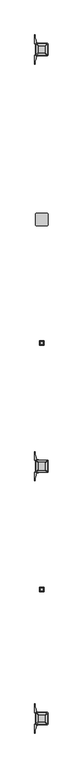
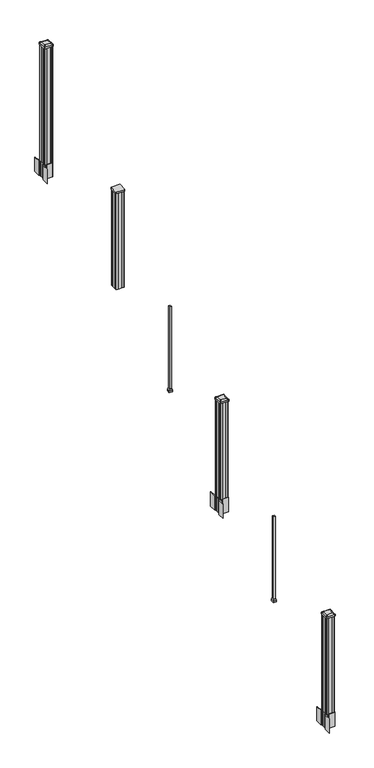
"""IFC4 building model written with IfcOpenShell, lengths in millimetres: railing geometry."""

from ifc_helpers import new_model, si_unit, point, frame, frame_2d, origin, place, context, project, spatial, polyline, circle_curve, trimmed, segment, composite_curve, outline, extrude, faceted_brep, source, transform, mapped, element, save
from ifc_brep_helpers import plane_surface, extruded_surface, advanced_brep


def railing_3ed826f8(model_context):
    return source(origin(), model_context, "Body", "SolidModel", [
        extrude(outline(composite_curve([segment(trimmed(circle_curve(frame_2d((6917.9688978, -99540.1315953)), 3.175), [point((6917.9688978, -99543.3065953))], [point((6914.7938978, -99540.1315953))], False, "CARTESIAN"), True, "CONTINUOUS"), segment(polyline([(6914.7938978, -99540.1315953), (6914.7938978, -99455.9940953)]), True, "CONTINUOUS"), segment(trimmed(circle_curve(frame_2d((6917.9688978, -99455.9940953)), 3.175), [point((6914.7938978, -99455.9940953))], [point((6917.9688978, -99452.8190953))], False, "CARTESIAN"), True, "CONTINUOUS"), segment(polyline([(6917.9688978, -99452.8190953), (7002.1063978, -99452.8190953)]), True, "CONTINUOUS"), segment(trimmed(circle_curve(frame_2d((7002.1063978, -99455.9940953)), 3.175), [point((7002.1063978, -99452.8190953))], [point((7005.2813978, -99455.9940953))], False, "CARTESIAN"), True, "CONTINUOUS"), segment(polyline([(7005.2813978, -99455.9940953), (7005.2813978, -99540.1315953)]), True, "CONTINUOUS"), segment(trimmed(circle_curve(frame_2d((7002.1063978, -99540.1315953)), 3.175), [point((7005.2813978, -99540.1315953))], [point((7002.1063978, -99543.3065953))], False, "CARTESIAN"), True, "CONTINUOUS"), segment(polyline([(7002.1063978, -99543.3065953), (6917.9688978, -99543.3065953)]), True, "CONTINUOUS")], self_intersect=False)), frame((0.0, 0.0, 3507.864263), z_axis=(0.0, 0.0, 1.0), x_axis=(1.0, 0.0, 0.0)), (0.0, 0.0, 1.0), 17.272),
        extrude(outline(polyline([(6920.3501478, -99539.3378453), (6918.7626478, -99537.7503453), (6918.7626478, -99518.1288453), (6920.3501478, -99517.3668453), (6920.3501478, -99478.7588453), (6918.7626478, -99477.9968453), (6918.7626478, -99458.3753453), (6920.3501478, -99456.7878453), (6939.9716478, -99456.7878453), (6940.7336478, -99458.3753453), (6979.3416478, -99458.3753453), (6980.1036478, -99456.7878453), (6999.7251478, -99456.7878453), (7001.3126478, -99458.3753453), (7001.3126478, -99477.9968453), (6999.7251478, -99478.7588453), (6999.7251478, -99517.3668453), (7001.3126478, -99518.1288453), (7001.3126478, -99537.7503453), (6999.7251478, -99539.3378453), (6980.1036478, -99539.3378453), (6979.3416478, -99537.7503453), (6940.7336478, -99537.7503453), (6939.9716478, -99539.3378453), (6920.3501478, -99539.3378453)])), frame((0.0, 0.0, 2476.5), z_axis=(0.0, 0.0, 1.0), x_axis=(1.0, 0.0, 0.0)), (0.0, 0.0, 1.0), 1031.364263),
        faceted_brep([(6972.7376478, -100425.1628453, 1937.1497081), (6972.7376478, -100399.7628453, 1937.1497081), (6947.3376478, -100399.7628453, 1937.1497081), (6947.3376478, -100425.1628453, 1937.1497081), (6975.9126478, -100428.3378453, 1921.2747081), (6944.1626478, -100428.3378453, 1921.2747081), (6944.1626478, -100396.5878453, 1921.2747081), (6975.9126478, -100396.5878453, 1921.2747081)], [[[0, 1, 2, 3]], [[4, 5, 6, 7]], [[4, 0, 3, 5]], [[5, 3, 2, 6]], [[6, 2, 1, 7]], [[7, 1, 0, 4]]]),
        extrude(outline(polyline([(6975.9126478, -100428.3378453), (6944.1626478, -100428.3378453), (6944.1626478, -100396.5878453), (6975.9126478, -100396.5878453), (6975.9126478, -100428.3378453)])), frame((0.0, 0.0, 1905.0), z_axis=(0.0, 0.0, 1.0), x_axis=(1.0, 0.0, 0.0)), (0.0, 0.0, 1.0), 16.2747081),
        extrude(outline(polyline([(6969.5626478, -100421.9878453), (6950.5126478, -100421.9878453), (6950.5126478, -100402.9378453), (6969.5626478, -100402.9378453), (6969.5626478, -100421.9878453)])), frame((0.0, 0.0, 1905.0), z_axis=(0.0, 0.0, 1.0), x_axis=(1.0, 0.0, 0.0)), (0.0, 0.0, 1.0), 914.4),
        extrude(outline(composite_curve([segment(polyline([(7002.7731478, -101344.2489401), (7004.3606478, -101345.0109401), (7004.3606478, -101367.8128682), (7000.9876707, -101371.1858453), (6939.5279999, -101371.1858453), (6939.5279999, -101372.1065953), (6934.2104561, -101372.1065953), (6934.2104561, -101373.56085), (6929.1259264, -101373.56085), (6929.1259264, -101374.8448738), (6927.4586541, -101374.8448738)]), True, "CONTINUOUS"), segment(trimmed(circle_curve(frame_2d((6927.4586541, -101381.9043337)), 7.0594599), [point((6927.4586541, -101374.8448738))], [point((6920.6913912, -101379.894327))], True, "CARTESIAN"), True, "CONTINUOUS"), segment(polyline([(6920.6913912, -101379.894327), (6912.8171969, -101406.4050561)]), True, "CONTINUOUS"), segment(trimmed(circle_curve(frame_2d((6967.6017103, -101422.6771057)), 57.15), [point((6912.8171969, -101406.4050561))], [point((6910.4517103, -101422.6771057))], True, "CARTESIAN"), True, "CONTINUOUS"), segment(polyline([(6910.4517103, -101422.6771057), (6910.4517103, -101434.6858453), (6907.4517103, -101434.6858453), (6907.4517103, -101369.5983453), (6915.7146478, -101358.260054), (6915.7146478, -101345.0109401), (6917.3021478, -101344.2489401), (6917.3021478, -101309.4767504), (6915.7146478, -101308.7147504), (6915.7146478, -101295.4656366), (6907.4517103, -101284.1273453), (6907.4517103, -101219.0398453), (6910.4517103, -101219.0398453), (6910.4517103, -101231.0485848)]), True, "CONTINUOUS"), segment(trimmed(circle_curve(frame_2d((6967.6017103, -101231.0485848)), 57.15), [point((6910.4517103, -101231.0485848))], [point((6912.8171969, -101247.3206345))], True, "CARTESIAN"), True, "CONTINUOUS"), segment(polyline([(6912.8171969, -101247.3206345), (6920.6913912, -101273.8313636)]), True, "CONTINUOUS"), segment(trimmed(circle_curve(frame_2d((6927.4586541, -101271.8213569)), 7.0594599), [point((6920.6913912, -101273.8313636))], [point((6927.4586541, -101278.8808168))], True, "CARTESIAN"), True, "CONTINUOUS"), segment(polyline([(6927.4586541, -101278.8808168), (6929.1259264, -101278.8808168), (6929.1259264, -101280.1648406), (6934.2104561, -101280.1648406), (6934.2104561, -101281.6190953), (6939.5279999, -101281.6190953), (6939.5279999, -101282.5398453), (7000.9876707, -101282.5398453), (7004.3606478, -101285.9128224), (7004.3606478, -101308.7147504), (7002.7731478, -101309.4767504), (7002.7731478, -101344.2489401)]), True, "CONTINUOUS")], self_intersect=False), holes=[polyline([(6918.7626478, -101287.1753453), (6918.7626478, -101366.5503453), (6920.3501478, -101368.1378453), (6957.2744304, -101368.1378453), (6999.7251478, -101368.1378453), (7001.3126478, -101366.5503453), (7001.3126478, -101287.1753453), (6999.7251478, -101285.5878453), (6957.2744304, -101285.5878453), (6920.3501478, -101285.5878453), (6918.7626478, -101287.1753453)])]), frame((0.0, 0.0, 1181.1), z_axis=(0.0, 0.0, 1.0), x_axis=(1.0, 0.0, 0.0)), (0.0, 0.0, 1.0), 152.4),
        advanced_brep(
        [(6934.2407728, -101355.8347203, 2393.439263), (6985.8345228, -101355.8347203, 2393.439263), (6989.0095228, -101352.6597203, 2393.439263), (6989.0095228, -101301.0659703, 2393.439263), (6985.8345228, -101297.8909703, 2393.439263), (6934.2407728, -101297.8909703, 2393.439263), (6931.0657728, -101301.0659703, 2393.439263), (6931.0657728, -101352.6597203, 2393.439263), (6917.9688978, -101372.1065953, 2382.136263), (6914.7938978, -101368.9315953, 2382.136263), (6914.7938978, -101284.7940953, 2382.136263), (6917.9688978, -101281.6190953, 2382.136263), (7002.1063978, -101281.6190953, 2382.136263), (7005.2813978, -101284.7940953, 2382.136263), (7005.2813978, -101368.9315953, 2382.136263), (7002.1063978, -101372.1065953, 2382.136263)],
        [
            (0, 1),
            (1, 2, circle_curve(frame((6985.8345228, -101352.6597203, 2393.439263), z_axis=(0.0, 0.0, 1.0), x_axis=(0.0, 1.0, 0.0)), 3.175)),
            (2, 3),
            (3, 4, circle_curve(frame((6985.8345228, -101301.0659703, 2393.439263), z_axis=(0.0, 0.0, 1.0), x_axis=(0.0, 1.0, 0.0)), 3.175)),
            (4, 5),
            (5, 6, circle_curve(frame((6934.2407728, -101301.0659703, 2393.439263), z_axis=(0.0, 0.0, 1.0), x_axis=(0.0, 1.0, 0.0)), 3.175)),
            (6, 7),
            (7, 0, circle_curve(frame((6934.2407728, -101352.6597203, 2393.439263), z_axis=(0.0, 0.0, 1.0), x_axis=(0.0, 1.0, 0.0)), 3.175)),
            (8, 9, circle_curve(frame((6917.9688978, -101368.9315953, 2382.136263), z_axis=(0.0, 0.0, -1.0), x_axis=(0.0, 1.0, 0.0)), 3.175)),
            (9, 10),
            (10, 11, circle_curve(frame((6917.9688978, -101284.7940953, 2382.136263), z_axis=(0.0, 0.0, -1.0), x_axis=(0.0, 1.0, 0.0)), 3.175)),
            (11, 12),
            (12, 13, circle_curve(frame((7002.1063978, -101284.7940953, 2382.136263), z_axis=(0.0, 0.0, -1.0), x_axis=(0.0, 1.0, 0.0)), 3.175)),
            (13, 14),
            (14, 15, circle_curve(frame((7002.1063978, -101368.9315953, 2382.136263), z_axis=(0.0, 0.0, -1.0), x_axis=(0.0, 1.0, 0.0)), 3.175)),
            (15, 8),
            (8, 0),
            (7, 9),
            (6, 10),
            (5, 11),
            (4, 12),
            (3, 13),
            (2, 14),
            (1, 15),
        ],
        [
            plane_surface(frame((6960.0376478, -101326.8628453, 2393.439263), z_axis=(0.0, 0.0, 1.0), x_axis=(-1.0, 0.0, 0.0))),
            plane_surface(frame((6960.0376478, -101326.8628453, 2382.136263), z_axis=(0.0, 0.0, -1.0), x_axis=(-1.0, 0.0, 0.0))),
            extruded_surface(trimmed(circle_curve(frame((6934.2407728, -101352.6597203, 2393.439263), z_axis=(0.0, 0.0, -1.0), x_axis=(0.0, 1.0, 0.0)), 3.175), [point((6934.2407728, -101355.8347203, 2393.439263))], [point((6931.0657728, -101352.6597203, 2393.439263))], True, "CARTESIAN"), (-16.271874999999454, -16.27187500000582, -11.303000000000338), 25.63797263886966),
            plane_surface(frame((6914.7938978, -101326.8628453, 2382.136263), z_axis=(-0.5705009161540778, 0.0, 0.8212969649690408), x_axis=(0.0, 1.0, 0.0))),
            extruded_surface(trimmed(circle_curve(frame((6934.2407728, -101301.0659703, 2393.439263), z_axis=(0.0, 0.0, -1.0), x_axis=(0.0, 1.0, 0.0)), 3.175), [point((6931.0657728, -101301.0659703, 2393.439263))], [point((6934.2407728, -101297.8909703, 2393.439263))], True, "CARTESIAN"), (-16.271874999999454, 16.27187499999127, -11.303000000000338), 25.637972638860422),
            plane_surface(frame((6960.0376478, -101281.6190953, 2382.136263), z_axis=(0.0, 0.5705009161540291, 0.8212969649690747), x_axis=(1.0, 0.0, 0.0))),
            extruded_surface(trimmed(circle_curve(frame((6985.8345228, -101301.0659703, 2393.439263), z_axis=(0.0, 0.0, -1.0), x_axis=(0.0, 1.0, 0.0)), 3.175), [point((6985.8345228, -101297.8909703, 2393.439263))], [point((6989.0095228, -101301.0659703, 2393.439263))], True, "CARTESIAN"), (16.271875000000364, 16.27187499999127, -11.303000000000338), 25.637972638861),
            plane_surface(frame((7005.2813978, -101326.8628453, 2382.136263), z_axis=(0.5705009161540142, 0.0, 0.8212969649690851), x_axis=(0.0, -1.0, 0.0))),
            extruded_surface(trimmed(circle_curve(frame((6985.8345228, -101352.6597203, 2393.439263), z_axis=(0.0, 0.0, -1.0), x_axis=(0.0, 1.0, 0.0)), 3.175), [point((6989.0095228, -101352.6597203, 2393.439263))], [point((6985.8345228, -101355.8347203, 2393.439263))], True, "CARTESIAN"), (16.271875000000364, -16.27187500000582, -11.303000000000338), 25.637972638870238),
            plane_surface(frame((6960.0376478, -101372.1065953, 2382.136263), z_axis=(0.0, -0.570500916154034, 0.8212969649690713), x_axis=(-1.0, 0.0, 0.0))),
        ],
        [
            (0, [[1, 2, 3, 4, 5, 6, 7, 8]]),
            (1, [[9, 10, 11, 12, 13, 14, 15, 16]]),
            (2, [[17, -8, 18, -9]]),
            (3, [[-18, -7, 19, -10]]),
            (4, [[-19, -6, 20, -11]]),
            (5, [[-20, -5, 21, -12]]),
            (6, [[-21, -4, 22, -13]]),
            (7, [[-22, -3, 23, -14]]),
            (8, [[-23, -2, 24, -15]]),
            (9, [[-24, -1, -17, -16]]),
        ],
    ),
        extrude(outline(composite_curve([segment(trimmed(circle_curve(frame_2d((6917.9688978, -101368.9315953)), 3.175), [point((6917.9688978, -101372.1065953))], [point((6914.7938978, -101368.9315953))], False, "CARTESIAN"), True, "CONTINUOUS"), segment(polyline([(6914.7938978, -101368.9315953), (6914.7938978, -101284.7940953)]), True, "CONTINUOUS"), segment(trimmed(circle_curve(frame_2d((6917.9688978, -101284.7940953)), 3.175), [point((6914.7938978, -101284.7940953))], [point((6917.9688978, -101281.6190953))], False, "CARTESIAN"), True, "CONTINUOUS"), segment(polyline([(6917.9688978, -101281.6190953), (7002.1063978, -101281.6190953)]), True, "CONTINUOUS"), segment(trimmed(circle_curve(frame_2d((7002.1063978, -101284.7940953)), 3.175), [point((7002.1063978, -101281.6190953))], [point((7005.2813978, -101284.7940953))], False, "CARTESIAN"), True, "CONTINUOUS"), segment(polyline([(7005.2813978, -101284.7940953), (7005.2813978, -101368.9315953)]), True, "CONTINUOUS"), segment(trimmed(circle_curve(frame_2d((7002.1063978, -101368.9315953)), 3.175), [point((7005.2813978, -101368.9315953))], [point((7002.1063978, -101372.1065953))], False, "CARTESIAN"), True, "CONTINUOUS"), segment(polyline([(7002.1063978, -101372.1065953), (6917.9688978, -101372.1065953)]), True, "CONTINUOUS")], self_intersect=False)), frame((0.0, 0.0, 2364.864263), z_axis=(0.0, 0.0, 1.0), x_axis=(1.0, 0.0, 0.0)), (0.0, 0.0, 1.0), 17.272),
        extrude(outline(polyline([(6920.3501478, -101368.1378453), (6918.7626478, -101366.5503453), (6918.7626478, -101346.9288453), (6920.3501478, -101346.1668453), (6920.3501478, -101307.5588453), (6918.7626478, -101306.7968453), (6918.7626478, -101287.1753453), (6920.3501478, -101285.5878453), (6939.9716478, -101285.5878453), (6940.7336478, -101287.1753453), (6979.3416478, -101287.1753453), (6980.1036478, -101285.5878453), (6999.7251478, -101285.5878453), (7001.3126478, -101287.1753453), (7001.3126478, -101306.7968453), (6999.7251478, -101307.5588453), (6999.7251478, -101346.1668453), (7001.3126478, -101346.9288453), (7001.3126478, -101366.5503453), (6999.7251478, -101368.1378453), (6980.1036478, -101368.1378453), (6979.3416478, -101366.5503453), (6940.7336478, -101366.5503453), (6939.9716478, -101368.1378453), (6920.3501478, -101368.1378453)])), frame((0.0, 0.0, 1333.5), z_axis=(0.0, 0.0, 1.0), x_axis=(1.0, 0.0, 0.0)), (0.0, 0.0, 1.0), 1031.364263),
        faceted_brep([(6972.7376478, -102253.9628453, 794.1497081), (6972.7376478, -102228.5628453, 794.1497081), (6947.3376478, -102228.5628453, 794.1497081), (6947.3376478, -102253.9628453, 794.1497081), (6975.9126478, -102257.1378453, 778.2747081), (6944.1626478, -102257.1378453, 778.2747081), (6944.1626478, -102225.3878453, 778.2747081), (6975.9126478, -102225.3878453, 778.2747081)], [[[0, 1, 2, 3]], [[4, 5, 6, 7]], [[4, 0, 3, 5]], [[5, 3, 2, 6]], [[6, 2, 1, 7]], [[7, 1, 0, 4]]]),
        extrude(outline(polyline([(6975.9126478, -102257.1378453), (6944.1626478, -102257.1378453), (6944.1626478, -102225.3878453), (6975.9126478, -102225.3878453), (6975.9126478, -102257.1378453)])), frame((0.0, 0.0, 762.0), z_axis=(0.0, 0.0, 1.0), x_axis=(1.0, 0.0, 0.0)), (0.0, 0.0, 1.0), 16.2747081),
        extrude(outline(polyline([(6969.5626478, -102250.7878453), (6950.5126478, -102250.7878453), (6950.5126478, -102231.7378453), (6969.5626478, -102231.7378453), (6969.5626478, -102250.7878453)])), frame((0.0, 0.0, 762.0), z_axis=(0.0, 0.0, 1.0), x_axis=(1.0, 0.0, 0.0)), (0.0, 0.0, 1.0), 914.4),
        extrude(outline(polyline([(6920.3501478, -98278.7358453), (6918.7626478, -98277.1483453), (6918.7626478, -98257.5268453), (6920.3501478, -98256.7648453), (6920.3501478, -98218.1568453), (6918.7626478, -98217.3948453), (6918.7626478, -98197.7733453), (6920.3501478, -98196.1858453), (6939.9716478, -98196.1858453), (6940.7336478, -98197.7733453), (6979.3416478, -98197.7733453), (6980.1036478, -98196.1858453), (6999.7251478, -98196.1858453), (7001.3126478, -98197.7733453), (7001.3126478, -98217.3948453), (6999.7251478, -98218.1568453), (6999.7251478, -98256.7648453), (7001.3126478, -98257.5268453), (7001.3126478, -98277.1483453), (6999.7251478, -98278.7358453), (6980.1036478, -98278.7358453), (6979.3416478, -98277.1483453), (6940.7336478, -98277.1483453), (6939.9716478, -98278.7358453), (6920.3501478, -98278.7358453)])), frame((0.0, 0.0, 3048.0), z_axis=(0.0, 0.0, 1.0), x_axis=(1.0, 0.0, 0.0)), (0.0, 0.0, 1.0), 1247.740513),
        extrude(outline(composite_curve([segment(polyline([(7002.7731478, -98254.8469401), (7004.3606478, -98255.6089401), (7004.3606478, -98278.4108682), (7000.9876707, -98281.7838453), (6939.5279999, -98281.7838453), (6939.5279999, -98282.7045953), (6934.2104561, -98282.7045953), (6934.2104561, -98284.15885), (6929.1259264, -98284.15885), (6929.1259264, -98285.4428738), (6927.4586541, -98285.4428738)]), True, "CONTINUOUS"), segment(trimmed(circle_curve(frame_2d((6927.4586541, -98292.5023337)), 7.0594599), [point((6927.4586541, -98285.4428738))], [point((6920.6913912, -98290.492327))], True, "CARTESIAN"), True, "CONTINUOUS"), segment(polyline([(6920.6913912, -98290.492327), (6912.8171969, -98317.0030561)]), True, "CONTINUOUS"), segment(trimmed(circle_curve(frame_2d((6967.6017103, -98333.2751057)), 57.15), [point((6912.8171969, -98317.0030561))], [point((6910.4517103, -98333.2751057))], True, "CARTESIAN"), True, "CONTINUOUS"), segment(polyline([(6910.4517103, -98333.2751057), (6910.4517103, -98345.2838453), (6907.4517103, -98345.2838453), (6907.4517103, -98280.1963453), (6915.7146478, -98268.858054), (6915.7146478, -98255.6089401), (6917.3021478, -98254.8469401), (6917.3021478, -98220.0747504), (6915.7146478, -98219.3127504), (6915.7146478, -98206.0636366), (6907.4517103, -98194.7253453), (6907.4517103, -98129.6378453), (6910.4517103, -98129.6378453), (6910.4517103, -98141.6465848)]), True, "CONTINUOUS"), segment(trimmed(circle_curve(frame_2d((6967.6017103, -98141.6465848)), 57.15), [point((6910.4517103, -98141.6465848))], [point((6912.8171969, -98157.9186345))], True, "CARTESIAN"), True, "CONTINUOUS"), segment(polyline([(6912.8171969, -98157.9186345), (6920.6913912, -98184.4293636)]), True, "CONTINUOUS"), segment(trimmed(circle_curve(frame_2d((6927.4586541, -98182.4193569)), 7.0594599), [point((6920.6913912, -98184.4293636))], [point((6927.4586541, -98189.4788168))], True, "CARTESIAN"), True, "CONTINUOUS"), segment(polyline([(6927.4586541, -98189.4788168), (6929.1259264, -98189.4788168), (6929.1259264, -98190.7628406), (6934.2104561, -98190.7628406), (6934.2104561, -98192.2170953), (6939.5279999, -98192.2170953), (6939.5279999, -98193.1378453), (7000.9876707, -98193.1378453), (7004.3606478, -98196.5108224), (7004.3606478, -98219.3127504), (7002.7731478, -98220.0747504), (7002.7731478, -98254.8469401)]), True, "CONTINUOUS")], self_intersect=False), holes=[polyline([(6918.7626478, -98197.7733453), (6918.7626478, -98277.1483453), (6920.3501478, -98278.7358453), (6957.2744304, -98278.7358453), (6999.7251478, -98278.7358453), (7001.3126478, -98277.1483453), (7001.3126478, -98197.7733453), (6999.7251478, -98196.1858453), (6957.2744304, -98196.1858453), (6920.3501478, -98196.1858453), (6918.7626478, -98197.7733453)])]), frame((0.0, 0.0, 2895.6), z_axis=(0.0, 0.0, 1.0), x_axis=(1.0, 0.0, 0.0)), (0.0, 0.0, 1.0), 152.4),
        advanced_brep(
        [(6934.2407728, -98266.4327203, 4324.315513), (6985.8345228, -98266.4327203, 4324.315513), (6989.0095228, -98263.2577203, 4324.315513), (6989.0095228, -98211.6639703, 4324.315513), (6985.8345228, -98208.4889703, 4324.315513), (6934.2407728, -98208.4889703, 4324.315513), (6931.0657728, -98211.6639703, 4324.315513), (6931.0657728, -98263.2577203, 4324.315513), (6917.9688978, -98282.7045953, 4313.012513), (6914.7938978, -98279.5295953, 4313.012513), (6914.7938978, -98195.3920953, 4313.012513), (6917.9688978, -98192.2170953, 4313.012513), (7002.1063978, -98192.2170953, 4313.012513), (7005.2813978, -98195.3920953, 4313.012513), (7005.2813978, -98279.5295953, 4313.012513), (7002.1063978, -98282.7045953, 4313.012513)],
        [
            (0, 1),
            (1, 2, circle_curve(frame((6985.8345228, -98263.2577203, 4324.315513), z_axis=(0.0, 0.0, 1.0), x_axis=(0.0, 1.0, 0.0)), 3.175)),
            (2, 3),
            (3, 4, circle_curve(frame((6985.8345228, -98211.6639703, 4324.315513), z_axis=(0.0, 0.0, 1.0), x_axis=(0.0, 1.0, 0.0)), 3.175)),
            (4, 5),
            (5, 6, circle_curve(frame((6934.2407728, -98211.6639703, 4324.315513), z_axis=(0.0, 0.0, 1.0), x_axis=(0.0, 1.0, 0.0)), 3.175)),
            (6, 7),
            (7, 0, circle_curve(frame((6934.2407728, -98263.2577203, 4324.315513), z_axis=(0.0, 0.0, 1.0), x_axis=(0.0, 1.0, 0.0)), 3.175)),
            (8, 9, circle_curve(frame((6917.9688978, -98279.5295953, 4313.012513), z_axis=(0.0, 0.0, -1.0), x_axis=(0.0, 1.0, 0.0)), 3.175)),
            (9, 10),
            (10, 11, circle_curve(frame((6917.9688978, -98195.3920953, 4313.012513), z_axis=(0.0, 0.0, -1.0), x_axis=(0.0, 1.0, 0.0)), 3.175)),
            (11, 12),
            (12, 13, circle_curve(frame((7002.1063978, -98195.3920953, 4313.012513), z_axis=(0.0, 0.0, -1.0), x_axis=(0.0, 1.0, 0.0)), 3.175)),
            (13, 14),
            (14, 15, circle_curve(frame((7002.1063978, -98279.5295953, 4313.012513), z_axis=(0.0, 0.0, -1.0), x_axis=(0.0, 1.0, 0.0)), 3.175)),
            (15, 8),
            (8, 0),
            (7, 9),
            (6, 10),
            (5, 11),
            (4, 12),
            (3, 13),
            (2, 14),
            (1, 15),
        ],
        [
            plane_surface(frame((6960.0376478, -98237.4608453, 4324.315513), z_axis=(0.0, 0.0, 1.0), x_axis=(-1.0, 0.0, 0.0))),
            plane_surface(frame((6960.0376478, -98237.4608453, 4313.012513), z_axis=(0.0, 0.0, -1.0), x_axis=(-1.0, 0.0, 0.0))),
            extruded_surface(trimmed(circle_curve(frame((6934.2407728, -98263.2577203, 4324.315513), z_axis=(0.0, 0.0, -1.0), x_axis=(0.0, 1.0, 0.0)), 3.175), [point((6934.2407728, -98266.4327203, 4324.315513))], [point((6931.0657728, -98263.2577203, 4324.315513))], True, "CARTESIAN"), (-16.271874999999454, -16.27187500000582, -11.302999999999884), 25.63797263886946),
            plane_surface(frame((6914.7938978, -98237.4608453, 4313.012513), z_axis=(-0.5705009161540687, 0.0, 0.8212969649690472), x_axis=(0.0, 1.0, 0.0))),
            extruded_surface(trimmed(circle_curve(frame((6934.2407728, -98211.6639703, 4324.315513), z_axis=(0.0, 0.0, -1.0), x_axis=(0.0, 1.0, 0.0)), 3.175), [point((6931.0657728, -98211.6639703, 4324.315513))], [point((6934.2407728, -98208.4889703, 4324.315513))], True, "CARTESIAN"), (-16.271874999999454, 16.27187499999127, -11.302999999999884), 25.637972638860223),
            plane_surface(frame((6960.0376478, -98192.2170953, 4313.012513), z_axis=(0.0, 0.5705009161540291, 0.8212969649690747), x_axis=(1.0, 0.0, 0.0))),
            extruded_surface(trimmed(circle_curve(frame((6985.8345228, -98211.6639703, 4324.315513), z_axis=(0.0, 0.0, -1.0), x_axis=(0.0, 1.0, 0.0)), 3.175), [point((6985.8345228, -98208.4889703, 4324.315513))], [point((6989.0095228, -98211.6639703, 4324.315513))], True, "CARTESIAN"), (16.271875000000364, 16.27187499999127, -11.302999999999884), 25.637972638860802),
            plane_surface(frame((7005.2813978, -98237.4608453, 4313.012513), z_axis=(0.5705009161540233, 0.0, 0.8212969649690787), x_axis=(0.0, -1.0, 0.0))),
            extruded_surface(trimmed(circle_curve(frame((6985.8345228, -98263.2577203, 4324.315513), z_axis=(0.0, 0.0, -1.0), x_axis=(0.0, 1.0, 0.0)), 3.175), [point((6989.0095228, -98263.2577203, 4324.315513))], [point((6985.8345228, -98266.4327203, 4324.315513))], True, "CARTESIAN"), (16.271875000000364, -16.27187500000582, -11.302999999999884), 25.637972638870036),
            plane_surface(frame((6960.0376478, -98282.7045953, 4313.012513), z_axis=(0.0, -0.570500916154034, 0.8212969649690713), x_axis=(-1.0, 0.0, 0.0))),
        ],
        [
            (0, [[1, 2, 3, 4, 5, 6, 7, 8]]),
            (1, [[9, 10, 11, 12, 13, 14, 15, 16]]),
            (2, [[17, -8, 18, -9]]),
            (3, [[-18, -7, 19, -10]]),
            (4, [[-19, -6, 20, -11]]),
            (5, [[-20, -5, 21, -12]]),
            (6, [[-21, -4, 22, -13]]),
            (7, [[-22, -3, 23, -14]]),
            (8, [[-23, -2, 24, -15]]),
            (9, [[-24, -1, -17, -16]]),
        ],
    ),
        extrude(outline(composite_curve([segment(trimmed(circle_curve(frame_2d((6917.9688978, -98279.5295953)), 3.175), [point((6917.9688978, -98282.7045953))], [point((6914.7938978, -98279.5295953))], False, "CARTESIAN"), True, "CONTINUOUS"), segment(polyline([(6914.7938978, -98279.5295953), (6914.7938978, -98195.3920953)]), True, "CONTINUOUS"), segment(trimmed(circle_curve(frame_2d((6917.9688978, -98195.3920953)), 3.175), [point((6914.7938978, -98195.3920953))], [point((6917.9688978, -98192.2170953))], False, "CARTESIAN"), True, "CONTINUOUS"), segment(polyline([(6917.9688978, -98192.2170953), (7002.1063978, -98192.2170953)]), True, "CONTINUOUS"), segment(trimmed(circle_curve(frame_2d((7002.1063978, -98195.3920953)), 3.175), [point((7002.1063978, -98192.2170953))], [point((7005.2813978, -98195.3920953))], False, "CARTESIAN"), True, "CONTINUOUS"), segment(polyline([(7005.2813978, -98195.3920953), (7005.2813978, -98279.5295953)]), True, "CONTINUOUS"), segment(trimmed(circle_curve(frame_2d((7002.1063978, -98279.5295953)), 3.175), [point((7005.2813978, -98279.5295953))], [point((7002.1063978, -98282.7045953))], False, "CARTESIAN"), True, "CONTINUOUS"), segment(polyline([(7002.1063978, -98282.7045953), (6917.9688978, -98282.7045953)]), True, "CONTINUOUS")], self_intersect=False)), frame((0.0, 0.0, 4295.740513), z_axis=(0.0, 0.0, 1.0), x_axis=(1.0, 0.0, 0.0)), (0.0, 0.0, 1.0), 17.272),
        extrude(outline(composite_curve([segment(polyline([(7002.7731478, -103214.4509401), (7004.3606478, -103215.2129401), (7004.3606478, -103238.0148682), (7000.9876707, -103241.3878453), (6939.5279999, -103241.3878453), (6939.5279999, -103242.3085953), (6934.2104561, -103242.3085953), (6934.2104561, -103243.76285), (6929.1259264, -103243.76285), (6929.1259264, -103245.0468738), (6927.4586541, -103245.0468738)]), True, "CONTINUOUS"), segment(trimmed(circle_curve(frame_2d((6927.4586541, -103252.1063337)), 7.0594599), [point((6927.4586541, -103245.0468738))], [point((6920.6913912, -103250.096327))], True, "CARTESIAN"), True, "CONTINUOUS"), segment(polyline([(6920.6913912, -103250.096327), (6912.8171969, -103276.6070561)]), True, "CONTINUOUS"), segment(trimmed(circle_curve(frame_2d((6967.6017103, -103292.8791057)), 57.15), [point((6912.8171969, -103276.6070561))], [point((6910.4517103, -103292.8791057))], True, "CARTESIAN"), True, "CONTINUOUS"), segment(polyline([(6910.4517103, -103292.8791057), (6910.4517103, -103304.8878453), (6907.4517103, -103304.8878453), (6907.4517103, -103239.8003453), (6915.7146478, -103228.462054), (6915.7146478, -103215.2129401), (6917.3021478, -103214.4509401), (6917.3021478, -103179.6787504), (6915.7146478, -103178.9167504), (6915.7146478, -103165.6676366), (6907.4517103, -103154.3293453), (6907.4517103, -103089.2418453), (6910.4517103, -103089.2418453), (6910.4517103, -103101.2505848)]), True, "CONTINUOUS"), segment(trimmed(circle_curve(frame_2d((6967.6017103, -103101.2505848)), 57.15), [point((6910.4517103, -103101.2505848))], [point((6912.8171969, -103117.5226345))], True, "CARTESIAN"), True, "CONTINUOUS"), segment(polyline([(6912.8171969, -103117.5226345), (6920.6913912, -103144.0333636)]), True, "CONTINUOUS"), segment(trimmed(circle_curve(frame_2d((6927.4586541, -103142.0233569)), 7.0594599), [point((6920.6913912, -103144.0333636))], [point((6927.4586541, -103149.0828168))], True, "CARTESIAN"), True, "CONTINUOUS"), segment(polyline([(6927.4586541, -103149.0828168), (6929.1259264, -103149.0828168), (6929.1259264, -103150.3668406), (6934.2104561, -103150.3668406), (6934.2104561, -103151.8210953), (6939.5279999, -103151.8210953), (6939.5279999, -103152.7418453), (7000.9876707, -103152.7418453), (7004.3606478, -103156.1148224), (7004.3606478, -103178.9167504), (7002.7731478, -103179.6787504), (7002.7731478, -103214.4509401)]), True, "CONTINUOUS")], self_intersect=False), holes=[polyline([(6918.7626478, -103157.3773453), (6918.7626478, -103236.7523453), (6920.3501478, -103238.3398453), (6957.2744304, -103238.3398453), (6999.7251478, -103238.3398453), (7001.3126478, -103236.7523453), (7001.3126478, -103157.3773453), (6999.7251478, -103155.7898453), (6957.2744304, -103155.7898453), (6920.3501478, -103155.7898453), (6918.7626478, -103157.3773453)])]), frame((0.0, 0.0, 12.22375), z_axis=(0.0, 0.0, 1.0), x_axis=(1.0, 0.0, 0.0)), (0.0, 0.0, 1.0), 152.4),
        advanced_brep(
        [(6934.2407728, -103226.0367203, 1224.563013), (6985.8345228, -103226.0367203, 1224.563013), (6989.0095228, -103222.8617203, 1224.563013), (6989.0095228, -103171.2679703, 1224.563013), (6985.8345228, -103168.0929703, 1224.563013), (6934.2407728, -103168.0929703, 1224.563013), (6931.0657728, -103171.2679703, 1224.563013), (6931.0657728, -103222.8617203, 1224.563013), (6917.9688978, -103242.3085953, 1213.260013), (6914.7938978, -103239.1335953, 1213.260013), (6914.7938978, -103154.9960953, 1213.260013), (6917.9688978, -103151.8210953, 1213.260013), (7002.1063978, -103151.8210953, 1213.260013), (7005.2813978, -103154.9960953, 1213.260013), (7005.2813978, -103239.1335953, 1213.260013), (7002.1063978, -103242.3085953, 1213.260013)],
        [
            (0, 1),
            (1, 2, circle_curve(frame((6985.8345228, -103222.8617203, 1224.563013), z_axis=(0.0, 0.0, 1.0), x_axis=(0.0, 1.0, 0.0)), 3.175)),
            (2, 3),
            (3, 4, circle_curve(frame((6985.8345228, -103171.2679703, 1224.563013), z_axis=(0.0, 0.0, 1.0), x_axis=(0.0, 1.0, 0.0)), 3.175)),
            (4, 5),
            (5, 6, circle_curve(frame((6934.2407728, -103171.2679703, 1224.563013), z_axis=(0.0, 0.0, 1.0), x_axis=(0.0, 1.0, 0.0)), 3.175)),
            (6, 7),
            (7, 0, circle_curve(frame((6934.2407728, -103222.8617203, 1224.563013), z_axis=(0.0, 0.0, 1.0), x_axis=(0.0, 1.0, 0.0)), 3.175)),
            (8, 9, circle_curve(frame((6917.9688978, -103239.1335953, 1213.260013), z_axis=(0.0, 0.0, -1.0), x_axis=(0.0, 1.0, 0.0)), 3.175)),
            (9, 10),
            (10, 11, circle_curve(frame((6917.9688978, -103154.9960953, 1213.260013), z_axis=(0.0, 0.0, -1.0), x_axis=(0.0, 1.0, 0.0)), 3.175)),
            (11, 12),
            (12, 13, circle_curve(frame((7002.1063978, -103154.9960953, 1213.260013), z_axis=(0.0, 0.0, -1.0), x_axis=(0.0, 1.0, 0.0)), 3.175)),
            (13, 14),
            (14, 15, circle_curve(frame((7002.1063978, -103239.1335953, 1213.260013), z_axis=(0.0, 0.0, -1.0), x_axis=(0.0, 1.0, 0.0)), 3.175)),
            (15, 8),
            (8, 0),
            (7, 9),
            (6, 10),
            (5, 11),
            (4, 12),
            (3, 13),
            (2, 14),
            (1, 15),
        ],
        [
            plane_surface(frame((6960.0376478, -103197.0648453, 1224.563013), z_axis=(0.0, 0.0, 1.0), x_axis=(-1.0, 0.0, 0.0))),
            plane_surface(frame((6960.0376478, -103197.0648453, 1213.260013), z_axis=(0.0, 0.0, -1.0), x_axis=(-1.0, 0.0, 0.0))),
            extruded_surface(trimmed(circle_curve(frame((6934.2407728, -103222.8617203, 1224.563013), z_axis=(0.0, 0.0, -1.0), x_axis=(0.0, 1.0, 0.0)), 3.175), [point((6934.2407728, -103226.0367203, 1224.563013))], [point((6931.0657728, -103222.8617203, 1224.563013))], True, "CARTESIAN"), (-16.271874999999454, -16.27187499999127, -11.302999999999884), 25.637972638860223),
            plane_surface(frame((6914.7938978, -103197.0648453, 1213.260013), z_axis=(-0.5705009161540778, 0.0, 0.8212969649690408), x_axis=(0.0, 1.0, 0.0))),
            extruded_surface(trimmed(circle_curve(frame((6934.2407728, -103171.2679703, 1224.563013), z_axis=(0.0, 0.0, -1.0), x_axis=(0.0, 1.0, 0.0)), 3.175), [point((6931.0657728, -103171.2679703, 1224.563013))], [point((6934.2407728, -103168.0929703, 1224.563013))], True, "CARTESIAN"), (-16.271874999999454, 16.27187500000582, -11.302999999999884), 25.63797263886946),
            plane_surface(frame((6960.0376478, -103151.8210953, 1213.260013), z_axis=(0.0, 0.5705009161540291, 0.8212969649690747), x_axis=(1.0, 0.0, 0.0))),
            extruded_surface(trimmed(circle_curve(frame((6985.8345228, -103171.2679703, 1224.563013), z_axis=(0.0, 0.0, -1.0), x_axis=(0.0, 1.0, 0.0)), 3.175), [point((6985.8345228, -103168.0929703, 1224.563013))], [point((6989.0095228, -103171.2679703, 1224.563013))], True, "CARTESIAN"), (16.271875000000364, 16.27187500000582, -11.302999999999884), 25.637972638870036),
            plane_surface(frame((7005.2813978, -103197.0648453, 1213.260013), z_axis=(0.5705009161540142, 0.0, 0.8212969649690851), x_axis=(0.0, -1.0, 0.0))),
            extruded_surface(trimmed(circle_curve(frame((6985.8345228, -103222.8617203, 1224.563013), z_axis=(0.0, 0.0, -1.0), x_axis=(0.0, 1.0, 0.0)), 3.175), [point((6989.0095228, -103222.8617203, 1224.563013))], [point((6985.8345228, -103226.0367203, 1224.563013))], True, "CARTESIAN"), (16.271875000000364, -16.27187499999127, -11.302999999999884), 25.637972638860802),
            plane_surface(frame((6960.0376478, -103242.3085953, 1213.260013), z_axis=(0.0, -0.570500916154034, 0.8212969649690713), x_axis=(-1.0, 0.0, 0.0))),
        ],
        [
            (0, [[1, 2, 3, 4, 5, 6, 7, 8]]),
            (1, [[9, 10, 11, 12, 13, 14, 15, 16]]),
            (2, [[17, -8, 18, -9]]),
            (3, [[-18, -7, 19, -10]]),
            (4, [[-19, -6, 20, -11]]),
            (5, [[-20, -5, 21, -12]]),
            (6, [[-21, -4, 22, -13]]),
            (7, [[-22, -3, 23, -14]]),
            (8, [[-23, -2, 24, -15]]),
            (9, [[-24, -1, -17, -16]]),
        ],
    ),
        extrude(outline(composite_curve([segment(trimmed(circle_curve(frame_2d((6917.9688978, -103239.1335953)), 3.175), [point((6917.9688978, -103242.3085953))], [point((6914.7938978, -103239.1335953))], False, "CARTESIAN"), True, "CONTINUOUS"), segment(polyline([(6914.7938978, -103239.1335953), (6914.7938978, -103154.9960953)]), True, "CONTINUOUS"), segment(trimmed(circle_curve(frame_2d((6917.9688978, -103154.9960953)), 3.175), [point((6914.7938978, -103154.9960953))], [point((6917.9688978, -103151.8210953))], False, "CARTESIAN"), True, "CONTINUOUS"), segment(polyline([(6917.9688978, -103151.8210953), (7002.1063978, -103151.8210953)]), True, "CONTINUOUS"), segment(trimmed(circle_curve(frame_2d((7002.1063978, -103154.9960953)), 3.175), [point((7002.1063978, -103151.8210953))], [point((7005.2813978, -103154.9960953))], False, "CARTESIAN"), True, "CONTINUOUS"), segment(polyline([(7005.2813978, -103154.9960953), (7005.2813978, -103239.1335953)]), True, "CONTINUOUS"), segment(trimmed(circle_curve(frame_2d((7002.1063978, -103239.1335953)), 3.175), [point((7005.2813978, -103239.1335953))], [point((7002.1063978, -103242.3085953))], False, "CARTESIAN"), True, "CONTINUOUS"), segment(polyline([(7002.1063978, -103242.3085953), (6917.9688978, -103242.3085953)]), True, "CONTINUOUS")], self_intersect=False)), frame((0.0, 0.0, 1195.988013), z_axis=(0.0, 0.0, 1.0), x_axis=(1.0, 0.0, 0.0)), (0.0, 0.0, 1.0), 17.272),
        extrude(outline(polyline([(6920.3501478, -103238.3398453), (6918.7626478, -103236.7523453), (6918.7626478, -103217.1308453), (6920.3501478, -103216.3688453), (6920.3501478, -103177.7608453), (6918.7626478, -103176.9988453), (6918.7626478, -103157.3773453), (6920.3501478, -103155.7898453), (6939.9716478, -103155.7898453), (6940.7336478, -103157.3773453), (6979.3416478, -103157.3773453), (6980.1036478, -103155.7898453), (6999.7251478, -103155.7898453), (7001.3126478, -103157.3773453), (7001.3126478, -103176.9988453), (6999.7251478, -103177.7608453), (6999.7251478, -103216.3688453), (7001.3126478, -103217.1308453), (7001.3126478, -103236.7523453), (6999.7251478, -103238.3398453), (6980.1036478, -103238.3398453), (6979.3416478, -103236.7523453), (6940.7336478, -103236.7523453), (6939.9716478, -103238.3398453), (6920.3501478, -103238.3398453)])), frame((0.0, 0.0, 164.62375), z_axis=(0.0, 0.0, 1.0), x_axis=(1.0, 0.0, 0.0)), (0.0, 0.0, 1.0), 1031.364263),
    ])


if __name__ == "__main__":
    model = new_model("IFC4")
    model_context = context("Model", 3, world=origin())
    ifc_project = project(units=[si_unit("LENGTHUNIT", "METRE", prefix="MILLI")], contexts=[model_context])
    site = spatial("IfcSite", under=ifc_project)
    building = spatial("IfcBuilding", under=site)
    placement = place(None, origin())
    railing_shape = railing_3ed826f8(model_context)
    element("IfcRailing", 1, at=placement, inside=building, context=model_context, shape_type="MappedRepresentation", body=[
        mapped(railing_shape, transform((0.0, 0.0, 0.0), x_axis=(1.0, 0.0, 0.0), y_axis=(0.0, 1.0, 0.0), z_axis=(0.0, 0.0, 1.0))),
    ])
    save(model, "model.ifc")
